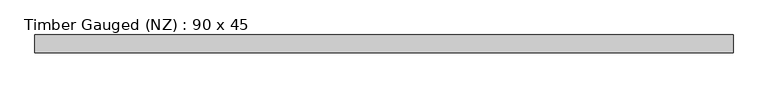
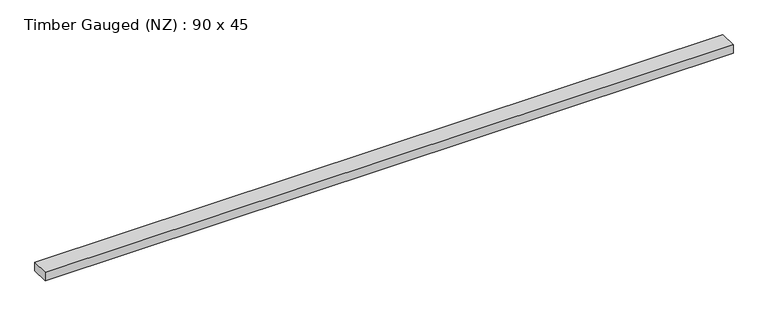
"""IFC4 building model written with IfcOpenShell, lengths in millimetres: beam geometry, Timber Gauged (NZ) : 90 x 45."""

import ifcopenshell
import ifcopenshell.guid

model = None  # the IFC model being written
_history = None  # IfcOwnerHistory: only IFC2X3 demands one
_inside = {}  # id of a spatial element -> (the spatial element, [elements in it])
_under = {}  # id of a project, library or spatial element -> (it, [spatial elements below it])
_declared = {}  # id of a project -> (the project, [libraries it declares])
_typed = {}  # id of a type object -> (the type object, [elements of that type])
_made_of = {}  # id of a material, layer set ... -> (it, [elements and type objects made of it])


def new_model(schema):
    """Start an empty IFC model of exactly this schema.

    Asked for "IFC4X3", IfcOpenShell would pick the latest addendum, in which some entities
    have other attributes; the version numbers below select the first issue.
    IFC2X3 requires an IfcOwnerHistory on every rooted entity: one is made here for all.
    """
    global model, _history
    if schema == "IFC4X3":
        model = ifcopenshell.file(schema_version=(4, 3, 0, 0))
    else:
        model = ifcopenshell.file(schema=schema)
    _inside.clear()
    _under.clear()
    _declared.clear()
    _typed.clear()
    _made_of.clear()
    _history = None
    if model.schema == "IFC2X3":
        org = make("IfcOrganization", Name="unknown")
        user = make(
            "IfcPersonAndOrganization",
            ThePerson=make("IfcPerson", FamilyName="unknown"),
            TheOrganization=org,
        )
        app = make(
            "IfcApplication",
            ApplicationDeveloper=org,
            Version="unknown",
            ApplicationFullName="unknown",
            ApplicationIdentifier="unknown",
        )
        _history = make(
            "IfcOwnerHistory",
            OwningUser=user,
            OwningApplication=app,
            ChangeAction="ADDED",
            CreationDate=0,
        )
    return model


def make(cls, **values):
    """One entity of the class cls with the attributes given. An attribute that is None is left unset."""
    return model.create_entity(
        cls, **{name: value for name, value in values.items() if value is not None}
    )


def rooted(cls, **values):
    """An entity with a GlobalId (a new one), such as an element, a storey or a relation."""
    return make(cls, GlobalId=ifcopenshell.guid.new(), OwnerHistory=_history, **values)


def si_unit(unit_type, name, prefix=None):
    """IfcSIUnit, for example si_unit("LENGTHUNIT", "METRE", prefix="MILLI")."""
    return make("IfcSIUnit", UnitType=unit_type, Prefix=prefix, Name=name)


def assignment(units):
    """IfcUnitAssignment: the units of a project."""
    return None if units is None else make("IfcUnitAssignment", Units=units)


def point(xyz):
    """IfcCartesianPoint."""
    return None if xyz is None else make("IfcCartesianPoint", Coordinates=xyz)


def direction(xyz):
    """IfcDirection."""
    return None if xyz is None else make("IfcDirection", DirectionRatios=xyz)


def frame(location, z_axis=None, x_axis=None):
    """IfcAxis2Placement3D, a coordinate frame: its origin and axes. An axis left out is left unset."""
    return make(
        "IfcAxis2Placement3D",
        Location=point(location),
        Axis=direction(z_axis),
        RefDirection=direction(x_axis),
    )


def origin():
    """The frame at (0, 0, 0) with its axes left unset."""
    return frame((0.0, 0.0, 0.0))


def place(relative_to, where):
    """IfcLocalPlacement: puts the frame where relative to a parent placement (None: the world)."""
    return make(
        "IfcLocalPlacement", PlacementRelTo=relative_to, RelativePlacement=where
    )


def context(
    kind, dimensions, precision=None, world=None, true_north=None, identifier=None
):
    """IfcGeometricRepresentationContext, for example the 3D "Model" context."""
    return make(
        "IfcGeometricRepresentationContext",
        ContextIdentifier=identifier,
        ContextType=kind,
        CoordinateSpaceDimension=dimensions,
        Precision=precision,
        WorldCoordinateSystem=world,
        TrueNorth=true_north,
    )


def project(units=None, contexts=None):
    """IfcProject with its units and contexts."""
    return rooted(
        "IfcProject",
        Name="project",
        RepresentationContexts=contexts,
        UnitsInContext=assignment(units),
    )


def spatial(cls, under=None, at=None, **own):
    """A site, building, storey or space (cls), placed at a placement, below another one or the project."""
    s = rooted(cls, ObjectPlacement=at, **own)
    if under is not None:
        _under.setdefault(under.id(), (under, []))[1].append(s)
    return s


def polyline(points):
    """IfcPolyline through the points."""
    return make("IfcPolyline", Points=[point(p) for p in points])


def outline(outer, holes=None, kind="AREA"):
    """IfcArbitraryClosedProfileDef: a profile drawn as a closed curve; with holes, ...WithVoids."""
    if holes is None:
        return make("IfcArbitraryClosedProfileDef", ProfileType=kind, OuterCurve=outer)
    return make(
        "IfcArbitraryProfileDefWithVoids",
        ProfileType=kind,
        OuterCurve=outer,
        InnerCurves=holes,
    )


def extrude(swept, where, along, depth):
    """IfcExtrudedAreaSolid: the profile swept, set in the frame where, extruded along a direction by depth."""
    return make(
        "IfcExtrudedAreaSolid",
        SweptArea=swept,
        Position=where,
        ExtrudedDirection=direction(along),
        Depth=depth,
    )


def shape(context_of_items, identifier, shape_type, items):
    """IfcShapeRepresentation: the items that make up one representation, for example the "Body"."""
    return make(
        "IfcShapeRepresentation",
        ContextOfItems=context_of_items,
        RepresentationIdentifier=identifier,
        RepresentationType=shape_type,
        Items=items,
    )


def source(mapping_origin, context_of_items, identifier, shape_type, items):
    """IfcRepresentationMap: a shape defined once, which mapped items show again and again."""
    return make(
        "IfcRepresentationMap",
        MappingOrigin=mapping_origin,
        MappedRepresentation=shape(context_of_items, identifier, shape_type, items),
    )


def transform(
    local_origin,
    x_axis=None,
    y_axis=None,
    z_axis=None,
    scale=None,
    scale2=None,
    scale3=None,
    uniform=True,
):
    """IfcCartesianTransformationOperator3D, or its non-uniform kind. x_axis, y_axis, z_axis: its Axis1, 2, 3."""
    if uniform:
        return make(
            "IfcCartesianTransformationOperator3D",
            Axis1=direction(x_axis),
            Axis2=direction(y_axis),
            LocalOrigin=point(local_origin),
            Scale=scale,
            Axis3=direction(z_axis),
        )
    return make(
        "IfcCartesianTransformationOperator3DnonUniform",
        Axis1=direction(x_axis),
        Axis2=direction(y_axis),
        LocalOrigin=point(local_origin),
        Scale=scale,
        Axis3=direction(z_axis),
        Scale2=scale2,
        Scale3=scale3,
    )


def mapped(mapping_source, mapping_target):
    """IfcMappedItem: shows the shape of a source again, moved by a transform."""
    return make(
        "IfcMappedItem", MappingSource=mapping_source, MappingTarget=mapping_target
    )


def made_of(thing, what):
    """Note that an element or type object is made of a material, layer set ...; save() writes the relation."""
    if what is not None:
        _made_of.setdefault(what.id(), (what, []))[1].append(thing)
    return thing


def element(
    cls,
    number,
    at=None,
    inside=None,
    cuts=None,
    type_object=None,
    material=None,
    context=None,
    identifier="Body",
    shape_type=None,
    held_by="IfcProductDefinitionShape",
    body=None,
    shapes=None,
    **own,
):
    """One element of the class cls, such as IfcWall. Its Tag is "e" and its number.

    at: its placement. inside: the storey or other place that contains it. cuts: it is an
    opening in that element (IfcRelVoidsElement). A single representation is given by context,
    identifier, shape_type and body (its items); several are given by shapes. held_by: the class
    of the entity that holds the representations. save() writes the other relations.
    """
    e = rooted(cls, Tag="e%d" % number, ObjectPlacement=at, **own)
    if body is not None:
        shapes = [shape(context, identifier, shape_type, body)]
    if shapes is not None:
        e.Representation = make(held_by, Representations=shapes)
    if inside is not None:
        _inside.setdefault(inside.id(), (inside, []))[1].append(e)
    if cuts is not None:
        rooted(
            "IfcRelVoidsElement", RelatingBuildingElement=cuts, RelatedOpeningElement=e
        )
    if type_object is not None:
        _typed.setdefault(type_object.id(), (type_object, []))[1].append(e)
    return made_of(e, material)


def aggregate(whole, parts):
    """IfcRelAggregates: a whole, such as a stair, and the parts it consists of."""
    return rooted("IfcRelAggregates", RelatingObject=whole, RelatedObjects=parts)


def save(model, path):
    """Write the relations noted so far, then the file.

    IfcRelAggregates (storeys below a building ...), IfcRelContainedInSpatialStructure (elements
    in a storey), IfcRelDefinesByType, IfcRelAssociatesMaterial and IfcRelDeclares: one each for
    every whole, place, type object, material and project.
    """
    for whole, parts in _under.values():
        aggregate(whole, parts)
    for where, things in _inside.values():
        rooted(
            "IfcRelContainedInSpatialStructure",
            RelatedElements=things,
            RelatingStructure=where,
        )
    for kind, things in _typed.values():
        rooted("IfcRelDefinesByType", RelatedObjects=things, RelatingType=kind)
    for what, things in _made_of.values():
        rooted("IfcRelAssociatesMaterial", RelatedObjects=things, RelatingMaterial=what)
    for by, libraries in _declared.values():
        rooted("IfcRelDeclares", RelatingContext=by, RelatedDefinitions=libraries)
    model.write(path)


def timber_gauged_nz_90_x_45_ac18b134(model_context):
    return source(origin(), model_context, "Body", "SweptSolid", [
        extrude(outline(polyline([(1786.364522, 45.0), (1786.364522, -45.0), (-1742.0606833, -45.0), (-1742.0606833, 45.0), (1786.364522, 45.0)])), frame((0.0, 0.0, -22.5), z_axis=(0.0, 0.0, 1.0), x_axis=(1.0, 0.0, 0.0)), (0.0, 0.0, 1.0), 45.0),
    ])


if __name__ == "__main__":
    model = new_model("IFC4")
    model_context = context("Model", 3, world=origin())
    ifc_project = project(units=[si_unit("LENGTHUNIT", "METRE", prefix="MILLI")], contexts=[model_context])
    site = spatial("IfcSite", under=ifc_project)
    building = spatial("IfcBuilding", under=site)
    placement = place(None, origin())
    timber_gauged_nz_90_x_45_shape = timber_gauged_nz_90_x_45_ac18b134(model_context)
    element("IfcBeam", 1, ObjectType="Timber Gauged (NZ) : 90 x 45", at=placement, inside=building, context=model_context, shape_type="MappedRepresentation", body=[
        mapped(timber_gauged_nz_90_x_45_shape, transform((0.0, 0.0, 0.0), x_axis=(1.0, 0.0, 0.0), y_axis=(0.0, 1.0, 0.0), z_axis=(0.0, 0.0, 1.0))),
    ])
    save(model, "model.ifc")
